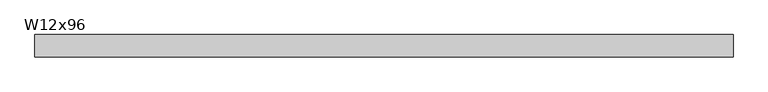
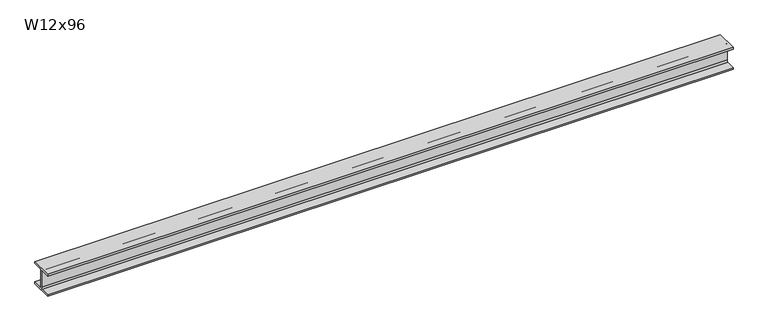
"""IFC4 building model written with IfcOpenShell, lengths in millimetres: beam geometry, W12x96."""

from ifc_helpers import new_model, si_unit, point, frame, frame_2d, origin, place, context, project, spatial, polyline, circle_curve, trimmed, segment, composite_curve, outline, extrude, source, transform, mapped, element, save


def w12x96_d5d74f5b(model_context):
    return source(origin(), model_context, "Body", "SweptSolid", [
        extrude(outline(composite_curve([segment(polyline([(154.94, -138.43), (154.94, -161.29), (-154.94, -161.29), (-154.94, -138.43), (-30.1625, -138.43)]), True, "CONTINUOUS"), segment(trimmed(circle_curve(frame_2d((-30.1625, -115.2525)), 23.1775), [point((-30.1625, -138.43))], [point((-6.985, -115.2525))], True, "CARTESIAN"), True, "CONTINUOUS"), segment(polyline([(-6.985, -115.2525), (-6.985, 115.2525)]), True, "CONTINUOUS"), segment(trimmed(circle_curve(frame_2d((-30.1625, 115.2525)), 23.1775), [point((-6.985, 115.2525))], [point((-30.1625, 138.43))], True, "CARTESIAN"), True, "CONTINUOUS"), segment(polyline([(-30.1625, 138.43), (-154.94, 138.43), (-154.94, 161.29), (154.94, 161.29), (154.94, 138.43), (30.1625, 138.43)]), True, "CONTINUOUS"), segment(trimmed(circle_curve(frame_2d((30.1625, 115.2525)), 23.1775), [point((30.1625, 138.43))], [point((6.985, 115.2525))], True, "CARTESIAN"), True, "CONTINUOUS"), segment(polyline([(6.985, 115.2525), (6.985, -115.2525)]), True, "CONTINUOUS"), segment(trimmed(circle_curve(frame_2d((30.1625, -115.2525)), 23.1775), [point((6.985, -115.2525))], [point((30.1625, -138.43))], True, "CARTESIAN"), True, "CONTINUOUS"), segment(polyline([(30.1625, -138.43), (154.94, -138.43)]), True, "CONTINUOUS")], self_intersect=False)), frame((-4844.5083805, 0.0, 0.0), z_axis=(1.0, 0.0, 0.0), x_axis=(0.0, 1.0, 0.0)), (0.0, 0.0, 1.0), 9689.016761),
    ])


if __name__ == "__main__":
    model = new_model("IFC4")
    model_context = context("Model", 3, world=origin())
    ifc_project = project(units=[si_unit("LENGTHUNIT", "METRE", prefix="MILLI")], contexts=[model_context])
    site = spatial("IfcSite", under=ifc_project)
    building = spatial("IfcBuilding", under=site)
    placement = place(None, origin())
    w12x96_shape = w12x96_d5d74f5b(model_context)
    element("IfcBeam", 1, ObjectType="W12x96", at=placement, inside=building, context=model_context, shape_type="MappedRepresentation", body=[
        mapped(w12x96_shape, transform((0.0, 0.0, 0.0), x_axis=(1.0, 0.0, 0.0), y_axis=(0.0, 1.0, 0.0), z_axis=(0.0, 0.0, 1.0))),
    ])
    save(model, "model.ifc")
